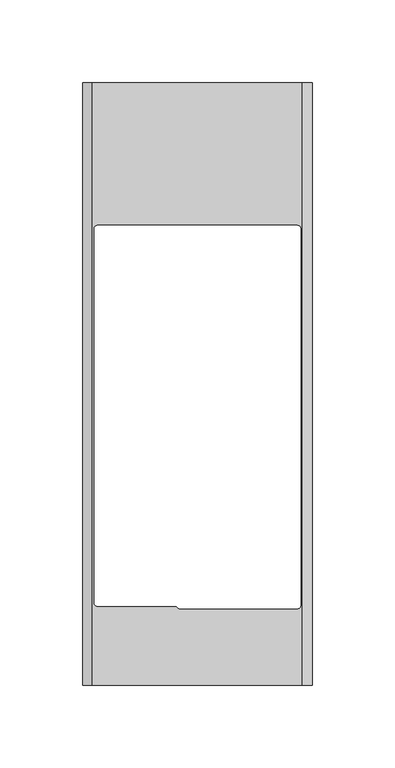
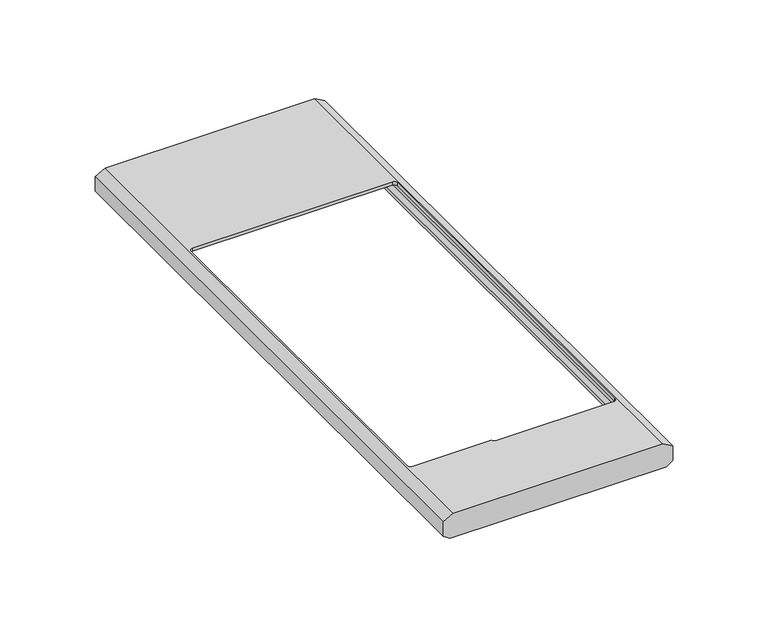
"""IFC4 building model written with IfcOpenShell, lengths in millimetres: proxy geometry."""

from ifc_helpers import new_model, si_unit, frame, origin, place, context, project, spatial, polyline, circle_curve, source, transform, mapped, element, save
from ifc_brep_helpers import plane_surface, revolved_surface, advanced_brep


def electrical_fixtures_3e58a97e(model_context):
    return source(origin(), model_context, "Body", "AdvancedBrep", [
        advanced_brep(
        [(-69.5, 0.0, 12.0358984), (-69.5, 0.0, 2.8008302), (-65.5, 0.0, 0.0), (65.5, 0.0, 0.0), (69.5, 0.0, 2.8008302), (69.5, 0.0, 12.0358984), (63.5, 0.0, 15.5), (-63.5, 0.0, 15.5), (-69.5, 365.0, 12.0358984), (-63.5, 365.0, 15.5), (63.5, 365.0, 15.5), (69.5, 365.0, 12.0358984), (69.5, 365.0, 2.8008302), (65.5, 365.0, 0.0), (-65.5, 365.0, 0.0), (-69.5, 365.0, 2.8008302), (-65.0, 8.5707578, 0.0), (65.0, 8.5707578, 0.0), (65.0, 357.291427, 0.0), (-65.0, 357.291427, 0.0), (-60.5, 278.5, 15.5), (60.5, 278.5, 15.5), (62.5, 276.5, 15.5), (62.5, 48.5, 15.5), (60.5, 46.5, 15.5), (-10.5635083, 46.5, 15.5), (-12.4843135, 48.0, 15.5), (-60.5, 48.0, 15.5), (-62.5, 50.0, 15.5), (-62.5, 276.5, 15.5), (-67.5, 8.5707578, 3.8419643), (-67.5, 8.5707578, 10.8811978), (-62.9641016, 8.5707578, 13.5), (62.9641016, 8.5707578, 13.5), (67.5, 8.5707578, 10.8811978), (67.5, 8.5707578, 3.8419643), (65.0, 8.5707578, 2.0914454), (-65.0, 8.5707578, 2.0914454), (-67.5, 357.291427, 3.8419643), (-65.0, 357.291427, 2.0914454), (65.0, 357.291427, 2.0914454), (67.5, 357.291427, 3.8419643), (67.5, 357.291427, 10.8811978), (62.9641016, 357.291427, 13.5), (-62.9641016, 357.291427, 13.5), (-67.5, 357.291427, 10.8811978), (60.5, 278.5, 13.5), (-60.5, 278.5, 13.5), (-62.5, 276.5, 13.5), (-62.5, 50.0, 13.5), (-60.5, 48.0, 13.5), (-12.4843135, 48.0, 13.5), (-10.5635083, 46.5, 13.5), (60.5, 46.5, 13.5), (62.5, 48.5, 13.5), (62.5, 276.5, 13.5)],
        [
            (0, 1),
            (1, 2),
            (2, 3),
            (3, 4),
            (4, 5),
            (5, 6),
            (6, 7),
            (7, 0),
            (8, 9),
            (9, 10),
            (10, 11),
            (11, 12),
            (12, 13),
            (13, 14),
            (14, 15),
            (15, 8),
            (0, 8),
            (15, 1),
            (14, 2),
            (13, 3),
            (16, 17),
            (17, 18),
            (18, 19),
            (19, 16),
            (12, 4),
            (11, 5),
            (10, 6),
            (9, 7),
            (20, 21),
            (21, 22, circle_curve(frame((60.5, 276.5, 15.5), z_axis=(0.0, 0.0, -1.0), x_axis=(1.0, 0.0, 0.0)), 2.0)),
            (22, 23),
            (23, 24, circle_curve(frame((60.5, 48.5, 15.5), z_axis=(0.0, 0.0, -1.0), x_axis=(1.0, 0.0, 0.0)), 2.0)),
            (24, 25),
            (25, 26, circle_curve(frame((-10.5635083, 48.4798308, 15.5), z_axis=(0.0, 0.0, -1.0), x_axis=(1.0, 0.0, 0.0)), 1.9798308)),
            (26, 27),
            (27, 28, circle_curve(frame((-60.5, 50.0, 15.5), z_axis=(0.0, 0.0, -1.0), x_axis=(1.0, 0.0, 0.0)), 2.0)),
            (28, 29),
            (29, 20, circle_curve(frame((-60.5, 276.5, 15.5), z_axis=(0.0, 0.0, -1.0), x_axis=(1.0, 0.0, 0.0)), 2.0)),
            (30, 31),
            (31, 32),
            (32, 33),
            (33, 34),
            (34, 35),
            (35, 36),
            (36, 17),
            (16, 37),
            (37, 30),
            (38, 39),
            (39, 19),
            (18, 40),
            (40, 41),
            (41, 42),
            (42, 43),
            (43, 44),
            (44, 45),
            (45, 38),
            (37, 39),
            (38, 30),
            (36, 40),
            (35, 41),
            (34, 42),
            (33, 43),
            (32, 44),
            (46, 47),
            (47, 48, circle_curve(frame((-60.5, 276.5, 13.5), z_axis=(0.0, 0.0, 1.0), x_axis=(1.0, 0.0, 0.0)), 2.0)),
            (48, 49),
            (49, 50, circle_curve(frame((-60.5, 50.0, 13.5), z_axis=(0.0, 0.0, 1.0), x_axis=(1.0, 0.0, 0.0)), 2.0)),
            (50, 51),
            (51, 52, circle_curve(frame((-10.5635083, 48.4798308, 13.5), z_axis=(0.0, 0.0, 1.0), x_axis=(1.0, 0.0, 0.0)), 1.9798308)),
            (52, 53),
            (53, 54, circle_curve(frame((60.5, 48.5, 13.5), z_axis=(0.0, 0.0, 1.0), x_axis=(1.0, 0.0, 0.0)), 2.0)),
            (54, 55),
            (55, 46, circle_curve(frame((60.5, 276.5, 13.5), z_axis=(0.0, 0.0, 1.0), x_axis=(1.0, 0.0, 0.0)), 2.0)),
            (31, 45),
            (46, 21),
            (20, 47),
            (29, 48),
            (28, 49),
            (27, 50),
            (26, 51),
            (25, 52),
            (24, 53),
            (23, 54),
            (22, 55),
        ],
        [
            plane_surface(frame((-69.5, 0.0, 11.8626933), z_axis=(0.0, -1.0, 0.0), x_axis=(0.0, 0.0, -1.0))),
            plane_surface(frame((-69.5, 365.0, 11.8626933), z_axis=(0.0, 1.0, 0.0), x_axis=(0.0, 0.0, 1.0))),
            plane_surface(frame((-69.5, 0.0, 12.0358984), z_axis=(-1.0, 0.0, 0.0), x_axis=(0.0, 1.0, 0.0))),
            plane_surface(frame((-69.5, 0.0, 2.8008302), z_axis=(-0.5735764363510116, 0.0, -0.8191520442890159), x_axis=(0.0, 1.0, 0.0))),
            plane_surface(frame((-65.5, 0.0, 0.0), z_axis=(0.0, 0.0, -1.0), x_axis=(0.0, 1.0, 0.0))),
            plane_surface(frame((65.5, 0.0, 0.0), z_axis=(0.5735764363510074, 0.0, -0.8191520442890189), x_axis=(0.0, 1.0, 0.0))),
            plane_surface(frame((69.5, 0.0, 2.8008302), z_axis=(1.0, 0.0, 0.0), x_axis=(0.0, 1.0, 0.0))),
            plane_surface(frame((69.5, 0.0, 12.0358984), z_axis=(0.5000000000001901, 0.0, 0.8660254037843289), x_axis=(0.0, 1.0, 0.0))),
            plane_surface(frame((63.5, 0.0, 15.5), z_axis=(0.0, 0.0, 1.0), x_axis=(0.0, 1.0, 0.0))),
            plane_surface(frame((-63.5, 0.0, 15.5), z_axis=(-0.5000000000001898, 0.0, 0.866025403784329), x_axis=(0.0, 1.0, 0.0))),
            plane_surface(frame((-67.3720729, 8.5707578, 3.7523888), z_axis=(0.0, 1.0, 0.0), x_axis=(0.8191520442890168, 0.0, -0.5735764363510105))),
            plane_surface(frame((-67.3720729, 357.291427, 3.7523888), z_axis=(0.0, -1.0, 0.0), x_axis=(-0.8191520442890168, 0.0, 0.5735764363510105))),
            plane_surface(frame((-67.5, 8.5707578, 3.8419643), z_axis=(0.5735764363510105, 0.0, 0.8191520442890168), x_axis=(0.0, 1.0, 0.0))),
            plane_surface(frame((-65.0, 8.5707578, 2.0914454), z_axis=(1.0, 0.0, 0.0), x_axis=(0.0, 1.0, 0.0))),
            plane_surface(frame((65.0, 8.5707578, 0.0), z_axis=(-1.0, 0.0, 0.0), x_axis=(0.0, 1.0, 0.0))),
            plane_surface(frame((65.0, 8.5707578, 2.0914454), z_axis=(-0.5735764363510099, 0.0, 0.8191520442890173), x_axis=(0.0, 1.0, 0.0))),
            plane_surface(frame((67.5, 8.5707578, 3.8419643), z_axis=(-1.0, 0.0, 0.0), x_axis=(0.0, 1.0, 0.0))),
            plane_surface(frame((67.5, 8.5707578, 10.8811978), z_axis=(-0.5000000000001897, 0.0, -0.8660254037843291), x_axis=(0.0, 1.0, 0.0))),
            plane_surface(frame((62.9641016, 8.5707578, 13.5), z_axis=(0.0, 0.0, -1.0), x_axis=(0.0, 1.0, 0.0))),
            plane_surface(frame((-62.9641016, 8.5707578, 13.5), z_axis=(0.5000000000001897, 0.0, -0.8660254037843291), x_axis=(0.0, 1.0, 0.0))),
            plane_surface(frame((-67.5, 8.5707578, 10.8811978), z_axis=(1.0, 0.0, 0.0), x_axis=(0.0, 1.0, 0.0))),
            plane_surface(frame((60.5, 278.5, 15.5), z_axis=(0.0, -1.0, 0.0), x_axis=(0.0, 0.0, -1.0))),
            revolved_surface(polyline([(-58.5, 276.5, 15.5), (-58.5, 276.5, 13.5)]), (-60.5, 276.5, 0.0), (0.0, 0.0, 1.0)),
            plane_surface(frame((-62.5, 276.5, 15.5), z_axis=(1.0, 0.0, 0.0), x_axis=(0.0, 0.0, -1.0))),
            revolved_surface(polyline([(-58.5, 50.0, 15.5), (-58.5, 50.0, 13.5)]), (-60.5, 50.0, 0.0), (0.0, 0.0, 1.0)),
            plane_surface(frame((-60.5, 48.0, 15.5), z_axis=(0.0, 1.0, 0.0), x_axis=(0.0, 0.0, -1.0))),
            revolved_surface(polyline([(-8.5836775, 48.4798308, 15.5), (-8.5836775, 48.4798308, 13.5)]), (-10.5635083, 48.4798308, 0.0), (0.0, 0.0, 1.0)),
            plane_surface(frame((-10.5635083, 46.5, 15.5), z_axis=(0.0, 1.0, 0.0), x_axis=(0.0, 0.0, -1.0))),
            revolved_surface(polyline([(62.5, 48.5, 15.5), (62.5, 48.5, 13.5)]), (60.5, 48.5, 0.0), (0.0, 0.0, 1.0)),
            plane_surface(frame((62.5, 48.5, 15.5), z_axis=(-1.0, 0.0, 0.0), x_axis=(0.0, 0.0, -1.0))),
            revolved_surface(polyline([(62.5, 276.5, 15.5), (62.5, 276.5, 13.5)]), (60.5, 276.5, 0.0), (0.0, 0.0, 1.0)),
        ],
        [
            (0, [[1, 2, 3, 4, 5, 6, 7, 8]]),
            (1, [[9, 10, 11, 12, 13, 14, 15, 16]]),
            (2, [[-1, 17, -16, 18]]),
            (3, [[-2, -18, -15, 19]]),
            (4, [[-3, -19, -14, 20], [21, 22, 23, 24]]),
            (5, [[-4, -20, -13, 25]]),
            (6, [[-5, -25, -12, 26]]),
            (7, [[-6, -26, -11, 27]]),
            (8, [[-7, -27, -10, 28], [29, 30, 31, 32, 33, 34, 35, 36, 37, 38]]),
            (9, [[-8, -28, -9, -17]]),
            (10, [[39, 40, 41, 42, 43, 44, 45, -21, 46, 47]]),
            (11, [[48, 49, -23, 50, 51, 52, 53, 54, 55, 56]]),
            (12, [[-47, 57, -48, 58]]),
            (13, [[-46, -24, -49, -57]]),
            (14, [[-45, 59, -50, -22]]),
            (15, [[-44, 60, -51, -59]]),
            (16, [[-43, 61, -52, -60]]),
            (17, [[-42, 62, -53, -61]]),
            (18, [[-41, 63, -54, -62], [64, 65, 66, 67, 68, 69, 70, 71, 72, 73]]),
            (19, [[-40, 74, -55, -63]]),
            (20, [[-39, -58, -56, -74]]),
            (21, [[75, -29, 76, -64]]),
            (22, [[-76, -38, 77, -65]]),
            (23, [[-77, -37, 78, -66]]),
            (24, [[-78, -36, 79, -67]]),
            (25, [[-79, -35, 80, -68]]),
            (26, [[-80, -34, 81, -69]]),
            (27, [[-81, -33, 82, -70]]),
            (28, [[-82, -32, 83, -71]]),
            (29, [[-83, -31, 84, -72]]),
            (30, [[-75, -73, -84, -30]]),
        ],
    ),
    ])


if __name__ == "__main__":
    model = new_model("IFC4")
    model_context = context("Model", 3, world=origin())
    ifc_project = project(units=[si_unit("LENGTHUNIT", "METRE", prefix="MILLI")], contexts=[model_context])
    site = spatial("IfcSite", under=ifc_project)
    building = spatial("IfcBuilding", under=site)
    placement = place(None, origin())
    electrical_fixtures_shape = electrical_fixtures_3e58a97e(model_context)
    element("IfcBuildingElementProxy", 1, Name="Electrical Fixtures", at=placement, inside=building, context=model_context, shape_type="MappedRepresentation", body=[
        mapped(electrical_fixtures_shape, transform((0.0, 0.0, 0.0), x_axis=(1.0, 0.0, 0.0), y_axis=(0.0, 1.0, 0.0), z_axis=(0.0, 0.0, 1.0))),
    ])
    save(model, "model.ifc")
